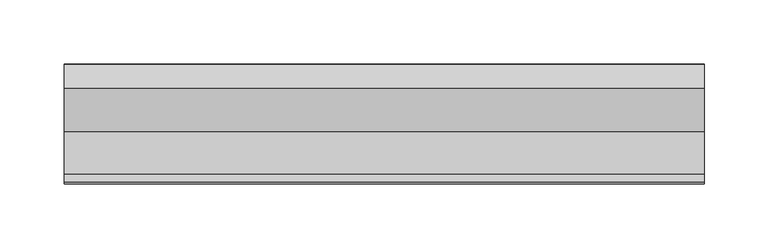
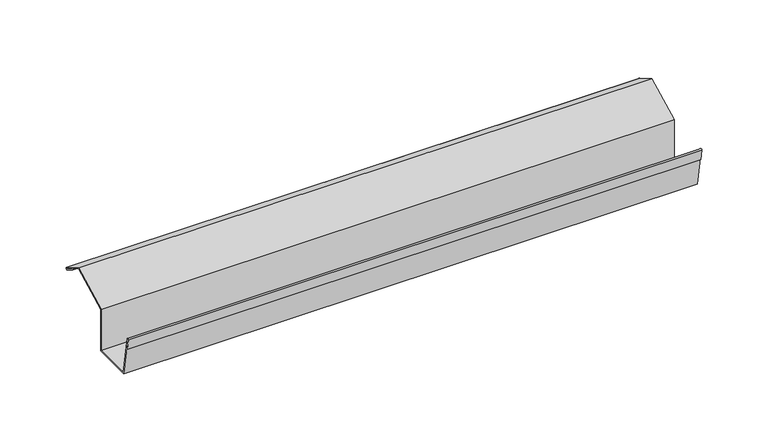
"""IFC4 building model written with IfcOpenShell, lengths in millimetres: proxy geometry."""

from ifc_helpers import new_model, si_unit, point, frame, frame_2d, origin, place, context, project, spatial, polyline, circle_curve, trimmed, segment, composite_curve, outline, extrude, source, transform, mapped, element, save


def generic_models_6240d8a7(model_context):
    return source(origin(), model_context, "Body", "SweptSolid", [
        extrude(outline(composite_curve([segment(trimmed(circle_curve(frame_2d((-0.875, 44.6960426)), 0.875), [point((-0.4375, 45.4538149))], [point((-1.3125, 43.9382704))], False, "CARTESIAN"), True, "CONTINUOUS"), segment(polyline([(-1.3125, 43.9382704), (-9.972754, 48.9382704), (-9.583234, 49.6369335), (-0.9376935, 44.7609946), (-18.8836738, 55.1789798), (-52.0432394, 38.2350564), (-52.0432394, -0.0620601), (-86.8459573, -0.0620601), (-93.2927795, 35.6294218), (-91.5562977, 25.7813442), (-92.3441439, 25.6424257), (-94.0807704, 35.4913239)]), True, "CONTINUOUS"), segment(trimmed(circle_curve(frame_2d((-93.2683048, 35.6345835)), 0.8249991), [point((-94.0807704, 35.4913239))], [point((-92.4558393, 35.7778431))], False, "CARTESIAN"), True, "CONTINUOUS"), segment(polyline([(-92.4558393, 35.7778431), (-86.277359, 0.7379399), (-52.8432394, 0.7379399), (-52.8432394, 38.7246617), (-18.8594641, 56.0897408), (-0.4375, 45.4538149)]), True, "CONTINUOUS")], self_intersect=False)), frame((0.0, 0.0, 0.0), z_axis=(1.0, 0.0, 0.0), x_axis=(0.0, 1.0, 0.0)), (0.0, 0.0, 1.0), 500.0),
    ])


if __name__ == "__main__":
    model = new_model("IFC4")
    model_context = context("Model", 3, world=origin())
    ifc_project = project(units=[si_unit("LENGTHUNIT", "METRE", prefix="MILLI")], contexts=[model_context])
    site = spatial("IfcSite", under=ifc_project)
    building = spatial("IfcBuilding", under=site)
    placement = place(None, origin())
    generic_models_shape = generic_models_6240d8a7(model_context)
    element("IfcBuildingElementProxy", 1, Name="Generic Models", at=placement, inside=building, context=model_context, shape_type="MappedRepresentation", body=[
        mapped(generic_models_shape, transform((0.0, 0.0, 0.0), x_axis=(1.0, 0.0, 0.0), y_axis=(0.0, 1.0, 0.0), z_axis=(0.0, 0.0, 1.0))),
    ])
    save(model, "model.ifc")
